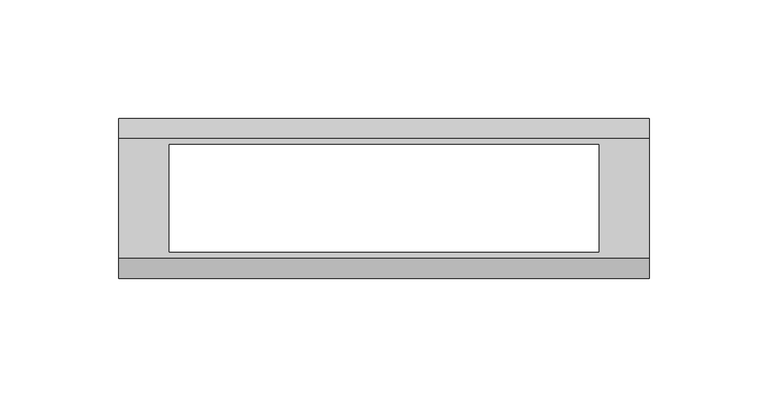
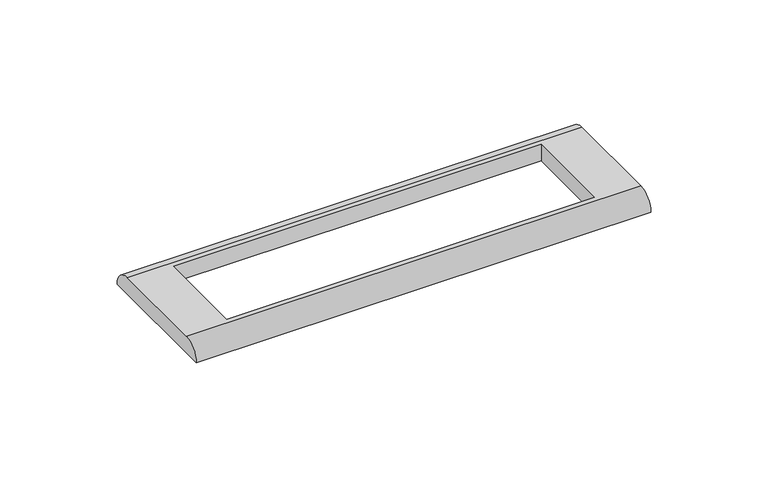
"""IFC4 building model written with IfcOpenShell, lengths in millimetres: proxy geometry."""

from ifc_helpers import new_model, si_unit, frame, origin, place, context, project, spatial, circle_curve, source, transform, mapped, element, save
from ifc_brep_helpers import plane_surface, cylinder_surface, advanced_brep


def electrical_fixtures_3e8f79b4(model_context):
    return source(origin(), model_context, "Body", "AdvancedBrep", [
        advanced_brep(
        [(112.0, 25.25, 8.5), (-112.0, 25.25, 8.5), (-112.0, -25.25, 8.5), (112.0, -25.25, 8.5), (-90.5, 22.75, 8.5), (90.5, 22.75, 8.5), (90.5, -22.75, 8.5), (-90.5, -22.75, 8.5), (112.0, 33.75, 0.0), (112.0, -33.75, 0.0), (-112.0, -33.75, 0.0), (-112.0, 33.75, 0.0), (90.5, 22.75, 0.0), (-90.5, 22.75, 0.0), (-90.5, -22.75, 0.0), (90.5, -22.75, 0.0)],
        [
            (0, 1),
            (1, 2),
            (2, 3),
            (3, 0),
            (4, 5),
            (5, 6),
            (6, 7),
            (7, 4),
            (8, 9),
            (9, 10),
            (10, 11),
            (11, 8),
            (12, 13),
            (13, 14),
            (14, 15),
            (15, 12),
            (10, 2, circle_curve(frame((-112.0, -25.25, 0.0), z_axis=(-1.0, 0.0, 0.0), x_axis=(0.0, 1.0, 0.0)), 8.5)),
            (1, 11, circle_curve(frame((-112.0, 25.25, 0.0), z_axis=(-1.0, 0.0, 0.0), x_axis=(0.0, -1.0, 0.0)), 8.5)),
            (8, 0, circle_curve(frame((112.0, 25.25, 0.0), z_axis=(1.0, 0.0, 0.0), x_axis=(0.0, -1.0, 0.0)), 8.5)),
            (3, 9, circle_curve(frame((112.0, -25.25, 0.0), z_axis=(1.0, 0.0, 0.0), x_axis=(0.0, 1.0, 0.0)), 8.5)),
            (4, 13),
            (12, 5),
            (7, 14),
            (6, 15),
        ],
        [
            plane_surface(frame((-112.0, 33.75, 8.5), z_axis=(0.0, 0.0, 1.0), x_axis=(0.0, -1.0, 0.0))),
            plane_surface(frame((-112.0, 33.75, 0.0), z_axis=(0.0, 0.0, -1.0), x_axis=(0.0, 1.0, 0.0))),
            plane_surface(frame((-112.0, 33.75, 8.5), z_axis=(-1.0, 0.0, 0.0), x_axis=(0.0, 0.0, -1.0))),
            plane_surface(frame((112.0, -33.75, 8.5), z_axis=(1.0, 0.0, 0.0), x_axis=(0.0, 0.0, -1.0))),
            plane_surface(frame((90.5, 22.75, 8.5), z_axis=(0.0, -1.0, 0.0), x_axis=(0.0, 0.0, -1.0))),
            plane_surface(frame((-90.5, 22.75, 8.5), z_axis=(1.0, 0.0, 0.0), x_axis=(0.0, 0.0, -1.0))),
            plane_surface(frame((-90.5, -22.75, 8.5), z_axis=(0.0, 1.0, 0.0), x_axis=(0.0, 0.0, -1.0))),
            plane_surface(frame((90.5, -22.75, 8.5), z_axis=(-1.0, 0.0, 0.0), x_axis=(0.0, 0.0, -1.0))),
            cylinder_surface(frame((112.0, 25.25, 0.0), z_axis=(-1.0, 0.0, 0.0), x_axis=(0.0, -1.0, 0.0)), 8.5),
            cylinder_surface(frame((112.0, -25.25, 0.0), z_axis=(-1.0, 0.0, 0.0), x_axis=(0.0, 1.0, 0.0)), 8.5),
        ],
        [
            (0, [[1, 2, 3, 4], [5, 6, 7, 8]]),
            (1, [[9, 10, 11, 12], [13, 14, 15, 16]]),
            (2, [[-11, 17, -2, 18]]),
            (3, [[-9, 19, -4, 20]]),
            (4, [[21, -13, 22, -5]]),
            (5, [[-21, -8, 23, -14]]),
            (6, [[-23, -7, 24, -15]]),
            (7, [[-22, -16, -24, -6]]),
            (8, [[-1, -19, -12, -18]]),
            (9, [[-3, -17, -10, -20]]),
        ],
    ),
    ])


if __name__ == "__main__":
    model = new_model("IFC4")
    model_context = context("Model", 3, world=origin())
    ifc_project = project(units=[si_unit("LENGTHUNIT", "METRE", prefix="MILLI")], contexts=[model_context])
    site = spatial("IfcSite", under=ifc_project)
    building = spatial("IfcBuilding", under=site)
    placement = place(None, origin())
    electrical_fixtures_shape = electrical_fixtures_3e8f79b4(model_context)
    element("IfcBuildingElementProxy", 1, Name="Electrical Fixtures", at=placement, inside=building, context=model_context, shape_type="MappedRepresentation", body=[
        mapped(electrical_fixtures_shape, transform((0.0, 0.0, 0.0), x_axis=(1.0, 0.0, 0.0), y_axis=(0.0, 1.0, 0.0), z_axis=(0.0, 0.0, 1.0))),
    ])
    save(model, "model.ifc")
